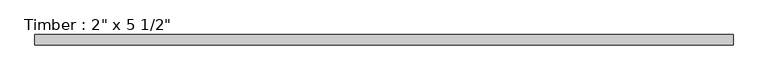
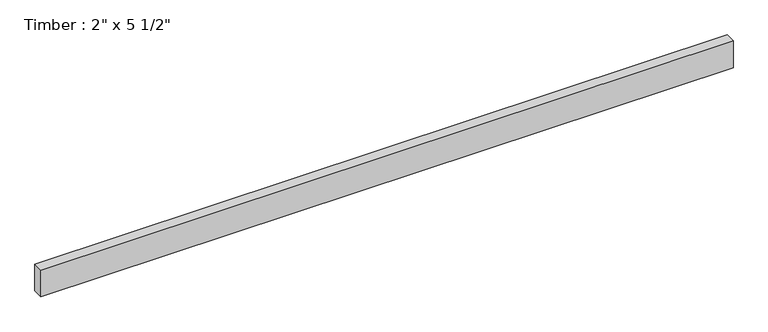
"""IFC4 building model written with IfcOpenShell, lengths in millimetres: beam geometry."""

import ifcopenshell
import ifcopenshell.guid

model = None  # the IFC model being written
_history = None  # IfcOwnerHistory: only IFC2X3 demands one
_inside = {}  # id of a spatial element -> (the spatial element, [elements in it])
_under = {}  # id of a project, library or spatial element -> (it, [spatial elements below it])
_declared = {}  # id of a project -> (the project, [libraries it declares])
_typed = {}  # id of a type object -> (the type object, [elements of that type])
_made_of = {}  # id of a material, layer set ... -> (it, [elements and type objects made of it])


def new_model(schema):
    """Start an empty IFC model of exactly this schema.

    Asked for "IFC4X3", IfcOpenShell would pick the latest addendum, in which some entities
    have other attributes; the version numbers below select the first issue.
    IFC2X3 requires an IfcOwnerHistory on every rooted entity: one is made here for all.
    """
    global model, _history
    if schema == "IFC4X3":
        model = ifcopenshell.file(schema_version=(4, 3, 0, 0))
    else:
        model = ifcopenshell.file(schema=schema)
    _inside.clear()
    _under.clear()
    _declared.clear()
    _typed.clear()
    _made_of.clear()
    _history = None
    if model.schema == "IFC2X3":
        org = make("IfcOrganization", Name="unknown")
        user = make(
            "IfcPersonAndOrganization",
            ThePerson=make("IfcPerson", FamilyName="unknown"),
            TheOrganization=org,
        )
        app = make(
            "IfcApplication",
            ApplicationDeveloper=org,
            Version="unknown",
            ApplicationFullName="unknown",
            ApplicationIdentifier="unknown",
        )
        _history = make(
            "IfcOwnerHistory",
            OwningUser=user,
            OwningApplication=app,
            ChangeAction="ADDED",
            CreationDate=0,
        )
    return model


def make(cls, **values):
    """One entity of the class cls with the attributes given. An attribute that is None is left unset."""
    return model.create_entity(
        cls, **{name: value for name, value in values.items() if value is not None}
    )


def rooted(cls, **values):
    """An entity with a GlobalId (a new one), such as an element, a storey or a relation."""
    return make(cls, GlobalId=ifcopenshell.guid.new(), OwnerHistory=_history, **values)


def si_unit(unit_type, name, prefix=None):
    """IfcSIUnit, for example si_unit("LENGTHUNIT", "METRE", prefix="MILLI")."""
    return make("IfcSIUnit", UnitType=unit_type, Prefix=prefix, Name=name)


def assignment(units):
    """IfcUnitAssignment: the units of a project."""
    return None if units is None else make("IfcUnitAssignment", Units=units)


def point(xyz):
    """IfcCartesianPoint."""
    return None if xyz is None else make("IfcCartesianPoint", Coordinates=xyz)


def direction(xyz):
    """IfcDirection."""
    return None if xyz is None else make("IfcDirection", DirectionRatios=xyz)


def frame(location, z_axis=None, x_axis=None):
    """IfcAxis2Placement3D, a coordinate frame: its origin and axes. An axis left out is left unset."""
    return make(
        "IfcAxis2Placement3D",
        Location=point(location),
        Axis=direction(z_axis),
        RefDirection=direction(x_axis),
    )


def origin():
    """The frame at (0, 0, 0) with its axes left unset."""
    return frame((0.0, 0.0, 0.0))


def place(relative_to, where):
    """IfcLocalPlacement: puts the frame where relative to a parent placement (None: the world)."""
    return make(
        "IfcLocalPlacement", PlacementRelTo=relative_to, RelativePlacement=where
    )


def context(
    kind, dimensions, precision=None, world=None, true_north=None, identifier=None
):
    """IfcGeometricRepresentationContext, for example the 3D "Model" context."""
    return make(
        "IfcGeometricRepresentationContext",
        ContextIdentifier=identifier,
        ContextType=kind,
        CoordinateSpaceDimension=dimensions,
        Precision=precision,
        WorldCoordinateSystem=world,
        TrueNorth=true_north,
    )


def project(units=None, contexts=None):
    """IfcProject with its units and contexts."""
    return rooted(
        "IfcProject",
        Name="project",
        RepresentationContexts=contexts,
        UnitsInContext=assignment(units),
    )


def spatial(cls, under=None, at=None, **own):
    """A site, building, storey or space (cls), placed at a placement, below another one or the project."""
    s = rooted(cls, ObjectPlacement=at, **own)
    if under is not None:
        _under.setdefault(under.id(), (under, []))[1].append(s)
    return s


def polyline(points):
    """IfcPolyline through the points."""
    return make("IfcPolyline", Points=[point(p) for p in points])


def outline(outer, holes=None, kind="AREA"):
    """IfcArbitraryClosedProfileDef: a profile drawn as a closed curve; with holes, ...WithVoids."""
    if holes is None:
        return make("IfcArbitraryClosedProfileDef", ProfileType=kind, OuterCurve=outer)
    return make(
        "IfcArbitraryProfileDefWithVoids",
        ProfileType=kind,
        OuterCurve=outer,
        InnerCurves=holes,
    )


def extrude(swept, where, along, depth):
    """IfcExtrudedAreaSolid: the profile swept, set in the frame where, extruded along a direction by depth."""
    return make(
        "IfcExtrudedAreaSolid",
        SweptArea=swept,
        Position=where,
        ExtrudedDirection=direction(along),
        Depth=depth,
    )


def shape(context_of_items, identifier, shape_type, items):
    """IfcShapeRepresentation: the items that make up one representation, for example the "Body"."""
    return make(
        "IfcShapeRepresentation",
        ContextOfItems=context_of_items,
        RepresentationIdentifier=identifier,
        RepresentationType=shape_type,
        Items=items,
    )


def source(mapping_origin, context_of_items, identifier, shape_type, items):
    """IfcRepresentationMap: a shape defined once, which mapped items show again and again."""
    return make(
        "IfcRepresentationMap",
        MappingOrigin=mapping_origin,
        MappedRepresentation=shape(context_of_items, identifier, shape_type, items),
    )


def transform(
    local_origin,
    x_axis=None,
    y_axis=None,
    z_axis=None,
    scale=None,
    scale2=None,
    scale3=None,
    uniform=True,
):
    """IfcCartesianTransformationOperator3D, or its non-uniform kind. x_axis, y_axis, z_axis: its Axis1, 2, 3."""
    if uniform:
        return make(
            "IfcCartesianTransformationOperator3D",
            Axis1=direction(x_axis),
            Axis2=direction(y_axis),
            LocalOrigin=point(local_origin),
            Scale=scale,
            Axis3=direction(z_axis),
        )
    return make(
        "IfcCartesianTransformationOperator3DnonUniform",
        Axis1=direction(x_axis),
        Axis2=direction(y_axis),
        LocalOrigin=point(local_origin),
        Scale=scale,
        Axis3=direction(z_axis),
        Scale2=scale2,
        Scale3=scale3,
    )


def mapped(mapping_source, mapping_target):
    """IfcMappedItem: shows the shape of a source again, moved by a transform."""
    return make(
        "IfcMappedItem", MappingSource=mapping_source, MappingTarget=mapping_target
    )


def made_of(thing, what):
    """Note that an element or type object is made of a material, layer set ...; save() writes the relation."""
    if what is not None:
        _made_of.setdefault(what.id(), (what, []))[1].append(thing)
    return thing


def element(
    cls,
    number,
    at=None,
    inside=None,
    cuts=None,
    type_object=None,
    material=None,
    context=None,
    identifier="Body",
    shape_type=None,
    held_by="IfcProductDefinitionShape",
    body=None,
    shapes=None,
    **own,
):
    """One element of the class cls, such as IfcWall. Its Tag is "e" and its number.

    at: its placement. inside: the storey or other place that contains it. cuts: it is an
    opening in that element (IfcRelVoidsElement). A single representation is given by context,
    identifier, shape_type and body (its items); several are given by shapes. held_by: the class
    of the entity that holds the representations. save() writes the other relations.
    """
    e = rooted(cls, Tag="e%d" % number, ObjectPlacement=at, **own)
    if body is not None:
        shapes = [shape(context, identifier, shape_type, body)]
    if shapes is not None:
        e.Representation = make(held_by, Representations=shapes)
    if inside is not None:
        _inside.setdefault(inside.id(), (inside, []))[1].append(e)
    if cuts is not None:
        rooted(
            "IfcRelVoidsElement", RelatingBuildingElement=cuts, RelatedOpeningElement=e
        )
    if type_object is not None:
        _typed.setdefault(type_object.id(), (type_object, []))[1].append(e)
    return made_of(e, material)


def aggregate(whole, parts):
    """IfcRelAggregates: a whole, such as a stair, and the parts it consists of."""
    return rooted("IfcRelAggregates", RelatingObject=whole, RelatedObjects=parts)


def save(model, path):
    """Write the relations noted so far, then the file.

    IfcRelAggregates (storeys below a building ...), IfcRelContainedInSpatialStructure (elements
    in a storey), IfcRelDefinesByType, IfcRelAssociatesMaterial and IfcRelDeclares: one each for
    every whole, place, type object, material and project.
    """
    for whole, parts in _under.values():
        aggregate(whole, parts)
    for where, things in _inside.values():
        rooted(
            "IfcRelContainedInSpatialStructure",
            RelatedElements=things,
            RelatingStructure=where,
        )
    for kind, things in _typed.values():
        rooted("IfcRelDefinesByType", RelatedObjects=things, RelatingType=kind)
    for what, things in _made_of.values():
        rooted("IfcRelAssociatesMaterial", RelatedObjects=things, RelatingMaterial=what)
    for by, libraries in _declared.values():
        rooted("IfcRelDeclares", RelatingContext=by, RelatedDefinitions=libraries)
    model.write(path)


def beam_ebd9258c(model_context):
    return source(origin(), model_context, "Body", "SweptSolid", [
        extrude(outline(polyline([(1704.2177196, 25.4), (1704.2177196, -25.4), (-1704.2177196, -25.4), (-1704.2177196, 25.4), (1704.2177196, 25.4)])), frame((0.0, 0.0, -69.85), z_axis=(0.0, 0.0, 1.0), x_axis=(1.0, 0.0, 0.0)), (0.0, 0.0, 1.0), 139.7),
    ])


if __name__ == "__main__":
    model = new_model("IFC4")
    model_context = context("Model", 3, world=origin())
    ifc_project = project(units=[si_unit("LENGTHUNIT", "METRE", prefix="MILLI")], contexts=[model_context])
    site = spatial("IfcSite", under=ifc_project)
    building = spatial("IfcBuilding", under=site)
    placement = place(None, origin())
    beam_shape = beam_ebd9258c(model_context)
    element("IfcBeam", 1, ObjectType="Timber : 2\" x 5 1/2\"", at=placement, inside=building, context=model_context, shape_type="MappedRepresentation", body=[
        mapped(beam_shape, transform((0.0, 0.0, 0.0), x_axis=(1.0, 0.0, 0.0), y_axis=(0.0, 1.0, 0.0), z_axis=(0.0, 0.0, 1.0))),
    ])
    save(model, "model.ifc")
